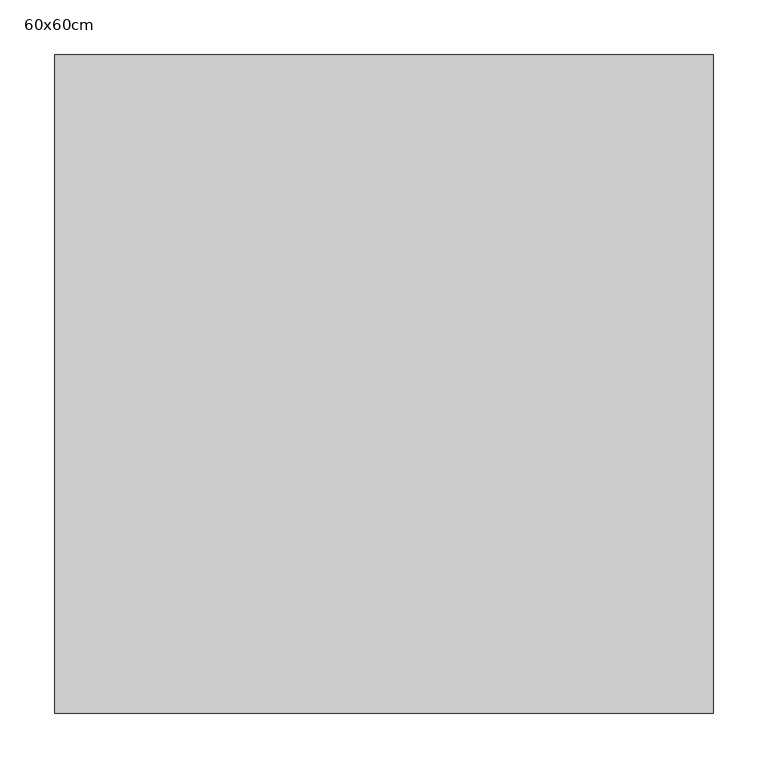
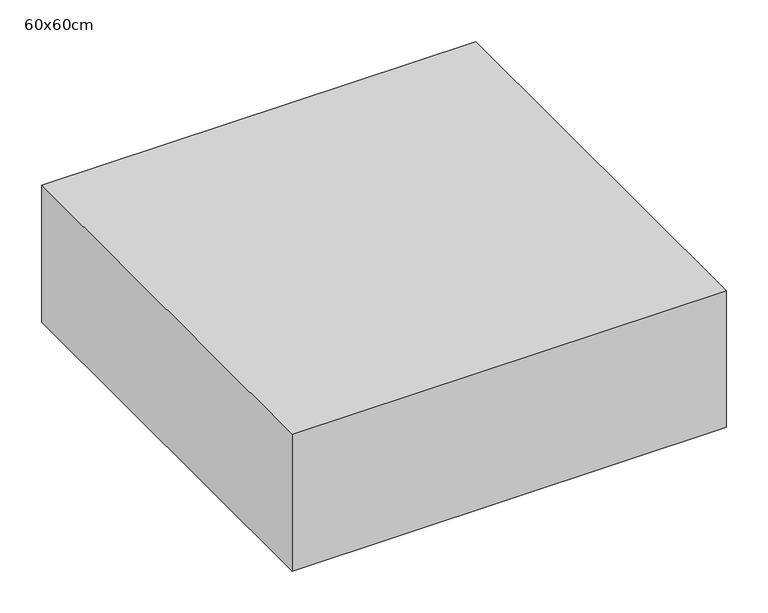
"""IFC4 building model written with IfcOpenShell, lengths in millimetres: proxy geometry, 60x60cm."""

from ifc_helpers import new_model, si_unit, frame, origin, place, context, project, spatial, polyline, outline, extrude, source, transform, mapped, element, save


def proxy_60x60cm_8fe90c40(model_context):
    return source(origin(), model_context, "Body", "SweptSolid", [
        extrude(outline(polyline([(600.0, 600.0), (600.0, 0.0), (0.0, 0.0), (0.0, 600.0), (600.0, 600.0)])), frame((0.0, 0.0, 3000.0), z_axis=(0.0, 0.0, 1.0), x_axis=(1.0, 0.0, 0.0)), (0.0, 0.0, 1.0), 200.0),
    ])


if __name__ == "__main__":
    model = new_model("IFC4")
    model_context = context("Model", 3, world=origin())
    ifc_project = project(units=[si_unit("LENGTHUNIT", "METRE", prefix="MILLI")], contexts=[model_context])
    site = spatial("IfcSite", under=ifc_project)
    building = spatial("IfcBuilding", under=site)
    placement = place(None, origin())
    proxy_60x60cm_shape = proxy_60x60cm_8fe90c40(model_context)
    element("IfcBuildingElementProxy", 1, Name="60x60cm", ObjectType="60x60cm", at=placement, inside=building, context=model_context, shape_type="MappedRepresentation", body=[
        mapped(proxy_60x60cm_shape, transform((0.0, 0.0, 0.0), x_axis=(1.0, 0.0, 0.0), y_axis=(0.0, 1.0, 0.0), z_axis=(0.0, 0.0, 1.0))),
    ])
    save(model, "model.ifc")
